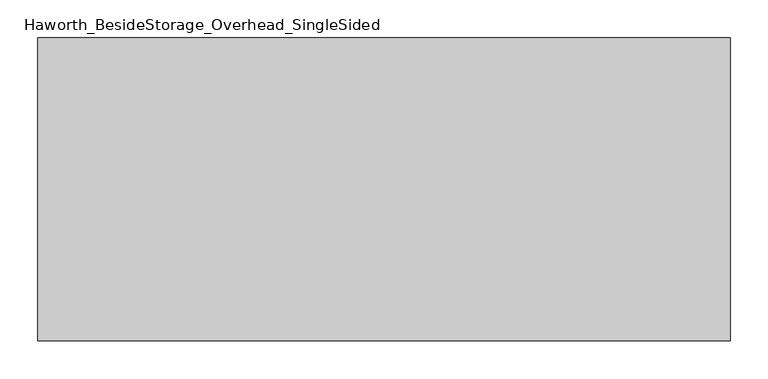
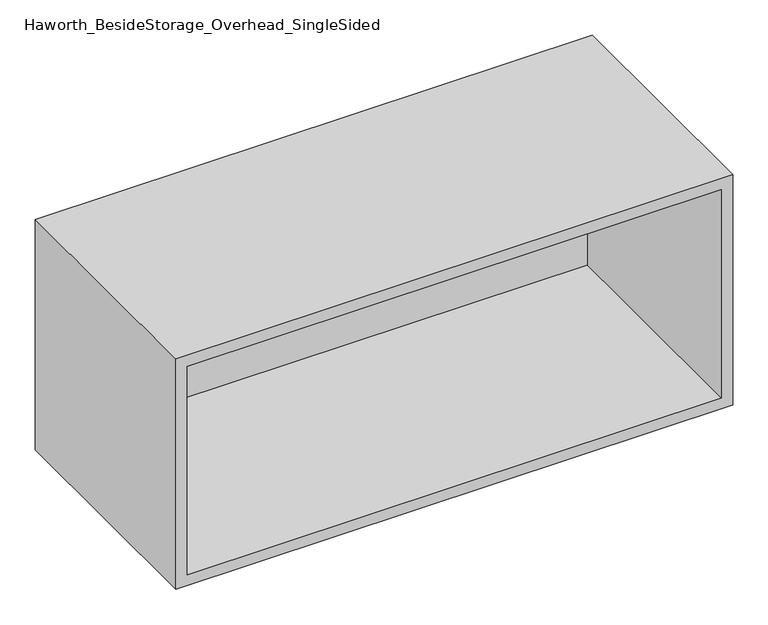
"""IFC4 building model written with IfcOpenShell, lengths in millimetres: furniture geometry, Haworth_BesideStorage_Overhead_SingleSided."""

from ifc_helpers import new_model, si_unit, frame, origin, place, context, project, spatial, polyline, outline, extrude, source, transform, mapped, element, save


def haworth_besidestorage_overhead_singlesided_cbe22b2d(model_context):
    return source(origin(), model_context, "Body", "SweptSolid", [
        extrude(outline(polyline([(603.25, -19.05), (-273.05, -19.05), (-273.05, 0.0), (603.25, 0.0), (603.25, -19.05)])), frame((0.0, 0.0, 781.05), z_axis=(0.0, 0.0, 1.0), x_axis=(1.0, 0.0, 0.0)), (0.0, 0.0, 1.0), 361.95),
        extrude(outline(polyline([(762.0, 622.3), (1162.05, 622.3), (1162.05, -292.1), (762.0, -292.1), (762.0, 622.3)]), holes=[polyline([(1143.0, 603.25), (781.05, 603.25), (781.05, -273.05), (1143.0, -273.05), (1143.0, 603.25)])]), frame((0.0, -400.05, 0.0), z_axis=(0.0, 1.0, 0.0), x_axis=(0.0, 0.0, 1.0)), (0.0, 0.0, 1.0), 400.05),
    ])


if __name__ == "__main__":
    model = new_model("IFC4")
    model_context = context("Model", 3, world=origin())
    ifc_project = project(units=[si_unit("LENGTHUNIT", "METRE", prefix="MILLI")], contexts=[model_context])
    site = spatial("IfcSite", under=ifc_project)
    building = spatial("IfcBuilding", under=site)
    placement = place(None, origin())
    haworth_besidestorage_overhead_singlesided_shape = haworth_besidestorage_overhead_singlesided_cbe22b2d(model_context)
    element("IfcFurniture", 1, ObjectType="Haworth_BesideStorage_Overhead_SingleSided", at=placement, inside=building, context=model_context, shape_type="MappedRepresentation", body=[
        mapped(haworth_besidestorage_overhead_singlesided_shape, transform((0.0, 0.0, 0.0), x_axis=(1.0, 0.0, 0.0), y_axis=(0.0, 1.0, 0.0), z_axis=(0.0, 0.0, 1.0))),
    ])
    save(model, "model.ifc")
